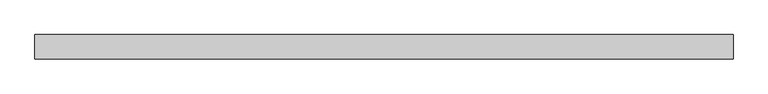
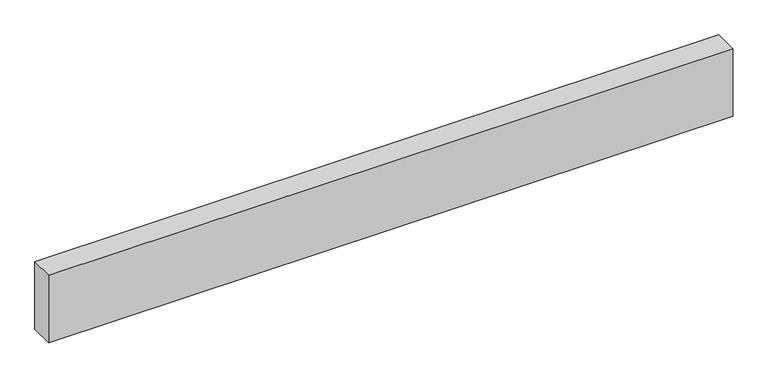
"""IFC4 building model written with IfcOpenShell, lengths in millimetres: proxy geometry."""

from ifc_helpers import new_model, si_unit, origin, origin_with_axes, place, context, project, spatial, polyline, outline, extrude, source, transform, mapped, element, save


def generic_models_57c779c8(model_context):
    return source(origin(), model_context, "Body", "SweptSolid", [
        extrude(outline(polyline([(2878.5373836, 0.0), (2878.5373836, -100.0), (0.0, -100.0), (0.0, 0.0), (2878.5373836, 0.0)])), origin_with_axes(), (0.0, 0.0, 1.0), 300.0),
    ])


if __name__ == "__main__":
    model = new_model("IFC4")
    model_context = context("Model", 3, world=origin())
    ifc_project = project(units=[si_unit("LENGTHUNIT", "METRE", prefix="MILLI")], contexts=[model_context])
    site = spatial("IfcSite", under=ifc_project)
    building = spatial("IfcBuilding", under=site)
    placement = place(None, origin())
    generic_models_shape = generic_models_57c779c8(model_context)
    element("IfcBuildingElementProxy", 1, Name="Generic Models", at=placement, inside=building, context=model_context, shape_type="MappedRepresentation", body=[
        mapped(generic_models_shape, transform((0.0, 0.0, 0.0), x_axis=(1.0, 0.0, 0.0), y_axis=(0.0, 1.0, 0.0), z_axis=(0.0, 0.0, 1.0))),
    ])
    save(model, "model.ifc")
